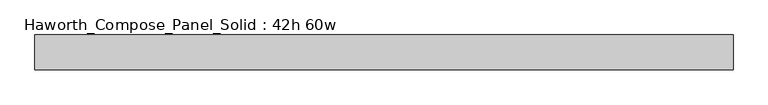
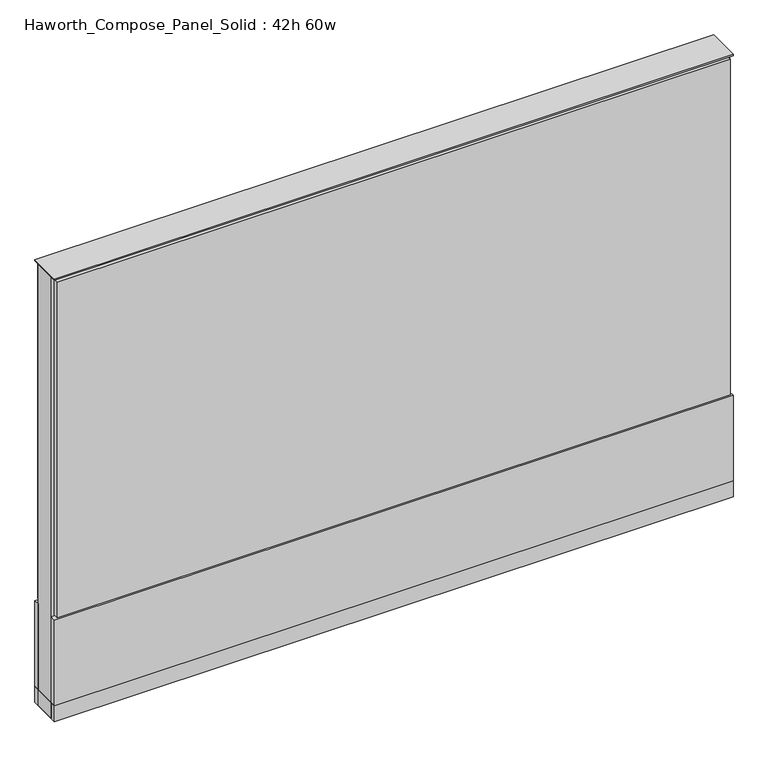
"""IFC4 building model written with IfcOpenShell, lengths in millimetres: furniture geometry, Haworth_Compose_Panel_Solid : 42h 60w."""

from ifc_helpers import new_model, si_unit, point, frame, frame_2d, origin, origin_with_axes, place, context, project, spatial, polyline, circle_curve, trimmed, segment, composite_curve, outline, extrude, source, transform, mapped, element, save


def haworth_compose_panel_solid_42h_60w_82b783d6(model_context):
    return source(origin(), model_context, "Body", "SweptSolid", [
        extrude(outline(composite_curve([segment(trimmed(circle_curve(frame_2d((-683.3597098, 0.0)), 12.7), [point((-696.0597098, 0.0))], [point((-670.6597098, 0.0))], False, "CARTESIAN"), True, "CONTINUOUS"), segment(trimmed(circle_curve(frame_2d((-683.3597098, 0.0)), 12.7), [point((-670.6597098, 0.0))], [point((-696.0597098, 0.0))], False, "CARTESIAN"), True, "CONTINUOUS")], self_intersect=False)), origin_with_axes(), (0.0, 0.0, 1.0), 12.7),
        extrude(outline(composite_curve([segment(trimmed(circle_curve(frame_2d((688.2402902, 0.0)), 12.7), [point((675.5402902, 0.0))], [point((700.9402902, 0.0))], False, "CARTESIAN"), True, "CONTINUOUS"), segment(trimmed(circle_curve(frame_2d((688.2402902, 0.0)), 12.7), [point((700.9402902, 0.0))], [point((675.5402902, 0.0))], False, "CARTESIAN"), True, "CONTINUOUS")], self_intersect=False)), origin_with_axes(), (0.0, 0.0, 1.0), 12.7),
        extrude(outline(polyline([(758.0902902, -38.1), (-753.2097098, -38.1), (-753.2097098, -25.4), (758.0902902, -25.4), (758.0902902, -38.1)])), frame((0.0, 0.0, 257.175), z_axis=(0.0, 0.0, 1.0), x_axis=(1.0, 0.0, 0.0)), (0.0, 0.0, 1.0), 796.925),
        extrude(outline(polyline([(764.4402902, -38.1), (-759.5597098, -38.1), (-759.5597098, -25.4), (764.4402902, -25.4), (764.4402902, -38.1)])), frame((0.0, 0.0, 50.8), z_axis=(0.0, 0.0, 1.0), x_axis=(1.0, 0.0, 0.0)), (0.0, 0.0, 1.0), 203.2),
        extrude(outline(polyline([(764.4402902, 38.1), (764.4402902, 25.4), (-759.5597098, 25.4), (-759.5597098, 38.1), (764.4402902, 38.1)])), frame((0.0, 0.0, 50.8), z_axis=(0.0, 0.0, 1.0), x_axis=(1.0, 0.0, 0.0)), (0.0, 0.0, 1.0), 203.2),
        extrude(outline(polyline([(758.0902902, 38.1), (758.0902902, 25.4), (-753.2097098, 25.4), (-753.2097098, 38.1), (758.0902902, 38.1)])), frame((0.0, 0.0, 257.175), z_axis=(0.0, 0.0, 1.0), x_axis=(1.0, 0.0, 0.0)), (0.0, 0.0, 1.0), 796.925),
        extrude(outline(polyline([(764.4402902, -25.4), (-759.5597098, -25.4), (-759.5597098, 25.4), (764.4402902, 25.4), (764.4402902, -25.4)])), frame((0.0, 0.0, 12.7), z_axis=(0.0, 0.0, 1.0), x_axis=(1.0, 0.0, 0.0)), (0.0, 0.0, 1.0), 1047.75),
        extrude(outline(polyline([(-759.5597098, 38.1), (764.4402902, 38.1), (764.4402902, -38.1), (-759.5597098, -38.1), (-759.5597098, 38.1)])), frame((0.0, 0.0, 12.7), z_axis=(0.0, 0.0, 1.0), x_axis=(1.0, 0.0, 0.0)), (0.0, 0.0, 1.0), 38.1),
        extrude(outline(polyline([(-759.5597098, 38.1), (764.4402902, 38.1), (764.4402902, -38.1), (-759.5597098, -38.1), (-759.5597098, 38.1)])), frame((0.0, 0.0, 1060.45), z_axis=(0.0, 0.0, 1.0), x_axis=(1.0, 0.0, 0.0)), (0.0, 0.0, 1.0), 3.175),
    ])


if __name__ == "__main__":
    model = new_model("IFC4")
    model_context = context("Model", 3, world=origin())
    ifc_project = project(units=[si_unit("LENGTHUNIT", "METRE", prefix="MILLI")], contexts=[model_context])
    site = spatial("IfcSite", under=ifc_project)
    building = spatial("IfcBuilding", under=site)
    placement = place(None, origin())
    haworth_compose_panel_solid_42h_60w_shape = haworth_compose_panel_solid_42h_60w_82b783d6(model_context)
    element("IfcFurniture", 1, ObjectType="Haworth_Compose_Panel_Solid : 42h 60w", at=placement, inside=building, context=model_context, shape_type="MappedRepresentation", body=[
        mapped(haworth_compose_panel_solid_42h_60w_shape, transform((0.0, 0.0, 0.0), x_axis=(1.0, 0.0, 0.0), y_axis=(0.0, 1.0, 0.0), z_axis=(0.0, 0.0, 1.0))),
    ])
    save(model, "model.ifc")
